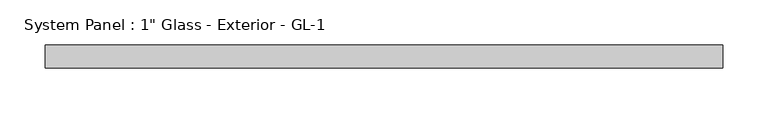
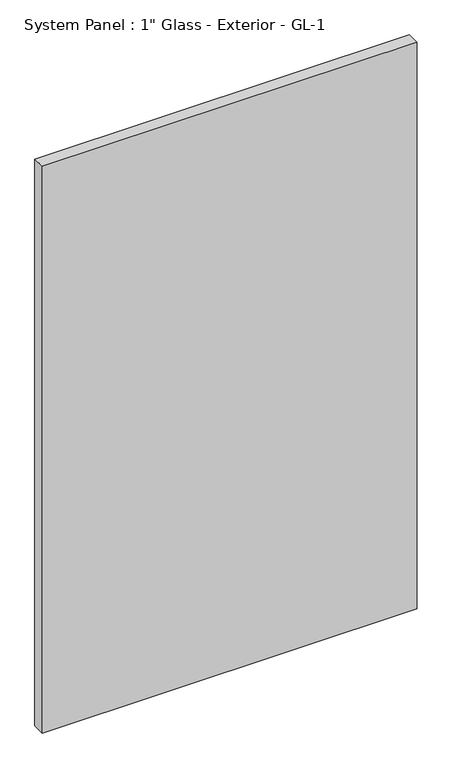
"""IFC4 building model written with IfcOpenShell, lengths in millimetres: plate geometry."""

from ifc_helpers import new_model, si_unit, origin, origin_with_axes, place, context, project, spatial, polyline, outline, extrude, source, transform, mapped, element, save


def plate_760c4e42(model_context):
    return source(origin(), model_context, "Body", "SweptSolid", [
        extrude(outline(polyline([(375.5074423, 12.7), (-375.5074423, 12.7), (-375.5074423, 38.1), (375.5074423, 38.1), (375.5074423, 12.7)])), origin_with_axes(), (0.0, 0.0, 1.0), 1200.15),
    ])


if __name__ == "__main__":
    model = new_model("IFC4")
    model_context = context("Model", 3, world=origin())
    ifc_project = project(units=[si_unit("LENGTHUNIT", "METRE", prefix="MILLI")], contexts=[model_context])
    site = spatial("IfcSite", under=ifc_project)
    building = spatial("IfcBuilding", under=site)
    placement = place(None, origin())
    plate_shape = plate_760c4e42(model_context)
    element("IfcPlate", 1, ObjectType="System Panel : 1\" Glass - Exterior - GL-1", at=placement, inside=building, context=model_context, shape_type="MappedRepresentation", body=[
        mapped(plate_shape, transform((0.0, 0.0, 0.0), x_axis=(1.0, 0.0, 0.0), y_axis=(0.0, 1.0, 0.0), z_axis=(0.0, 0.0, 1.0))),
    ])
    save(model, "model.ifc")
